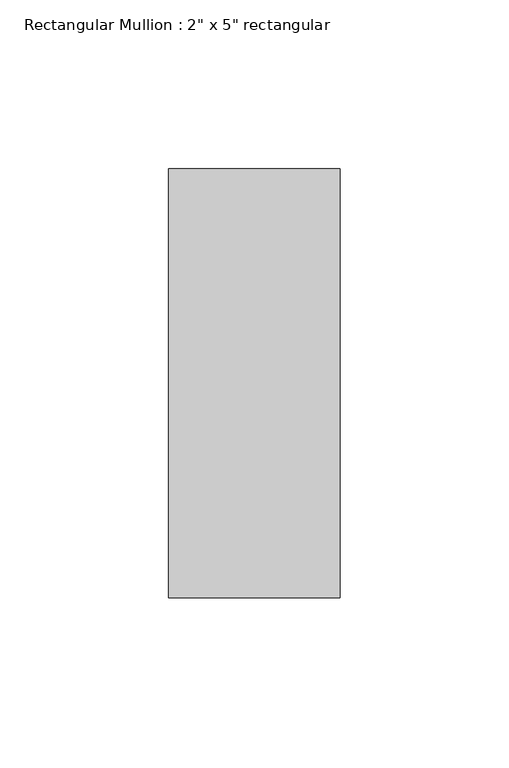
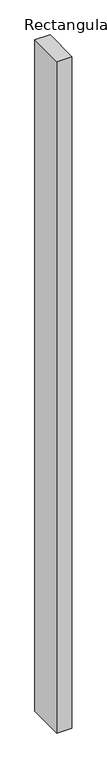
"""IFC4 building model written with IfcOpenShell, lengths in millimetres: member geometry."""

from ifc_helpers import new_model, si_unit, frame, origin, place, context, project, spatial, polyline, outline, extrude, source, transform, mapped, element, save


def member_5102e02f(model_context):
    return source(origin(), model_context, "Body", "SweptSolid", [
        extrude(outline(polyline([(25.4, 63.5), (25.4, -63.5), (-25.4, -63.5), (-25.4, 63.5), (25.4, 63.5)])), frame((0.0, 0.0, -2387.6), z_axis=(0.0, 0.0, 1.0), x_axis=(1.0, 0.0, 0.0)), (0.0, 0.0, 1.0), 2387.6),
    ])


if __name__ == "__main__":
    model = new_model("IFC4")
    model_context = context("Model", 3, world=origin())
    ifc_project = project(units=[si_unit("LENGTHUNIT", "METRE", prefix="MILLI")], contexts=[model_context])
    site = spatial("IfcSite", under=ifc_project)
    building = spatial("IfcBuilding", under=site)
    placement = place(None, origin())
    member_shape = member_5102e02f(model_context)
    element("IfcMember", 1, ObjectType="Rectangular Mullion : 2\" x 5\" rectangular", at=placement, inside=building, context=model_context, shape_type="MappedRepresentation", body=[
        mapped(member_shape, transform((0.0, 0.0, 0.0), x_axis=(1.0, 0.0, 0.0), y_axis=(0.0, 1.0, 0.0), z_axis=(0.0, 0.0, 1.0))),
    ])
    save(model, "model.ifc")
